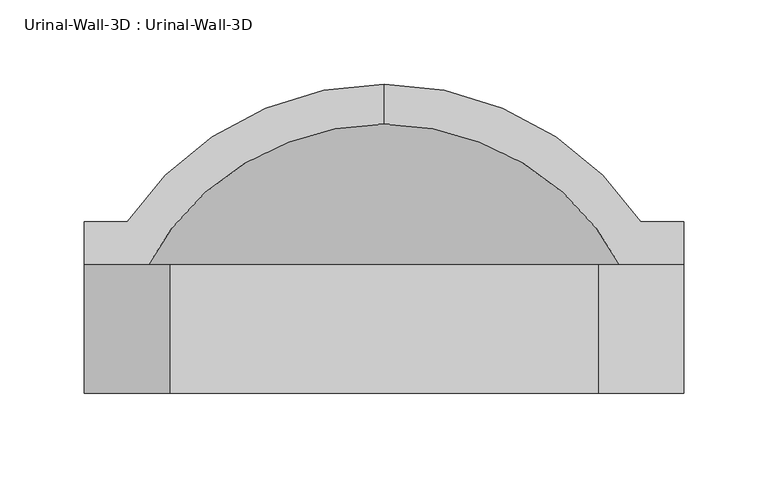
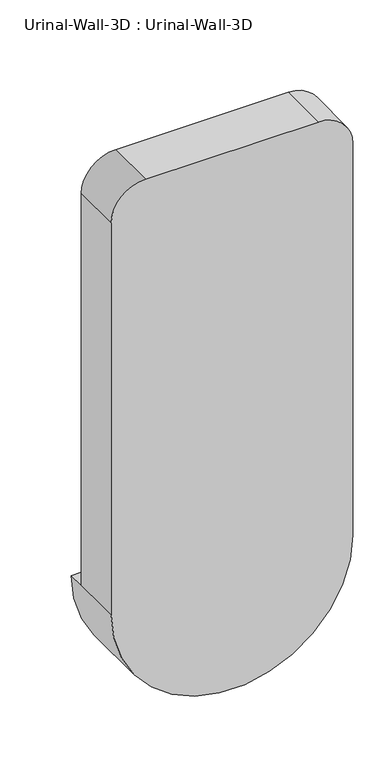
"""IFC4 building model written with IfcOpenShell, lengths in millimetres: flow terminal geometry, Urinal-Wall-3D : Urinal-Wall-3D."""

from ifc_helpers import new_model, si_unit, point, frame, origin, place, context, project, spatial, polyline, circle_curve, ellipse_curve, trimmed, source, transform, mapped, element, save
from ifc_brep_helpers import plane_surface, cylinder_surface, revolved_surface, advanced_brep


def urinal_wall_3d_urinal_wall_3d_8f78ac65(model_context):
    return source(origin(), model_context, "Body", "AdvancedBrep", [
        advanced_brep(
        [(-109.0745999, 335.5620048, 609.6), (-109.0745999, 311.8447043, 609.6), (43.3254001, 199.2706063, 609.6), (43.3254001, 228.6, 609.6), (68.7254001, 228.6, 609.6), (68.7254001, 254.0, 609.6), (43.3254001, 254.0, 609.6), (-261.4745999, 254.0, 609.6), (-286.8745999, 254.0, 609.6), (-286.8745999, 228.6, 609.6), (-261.4745999, 228.6, 609.6), (-261.4745999, 199.2706063, 609.6), (-261.4745999, 165.1, 609.6), (43.3254001, 165.1, 609.6), (-286.8745999, 152.4, 609.6), (68.7254001, 152.4, 609.6), (68.7254001, 152.4, 1219.2), (17.9254001, 152.4, 1270.0), (-236.0745999, 152.4, 1270.0), (-286.8745999, 152.4, 1219.2), (43.3254001, 228.6, 1168.4), (-7.4745999, 228.6, 1219.2), (-210.6745999, 228.6, 1219.2), (-261.4745999, 228.6, 1168.4), (-286.8745999, 228.6, 1219.2), (-236.0745999, 228.6, 1270.0), (17.9254001, 228.6, 1270.0), (68.7254001, 228.6, 1219.2), (43.3254001, 165.1, 1168.4), (-7.4745999, 165.1, 1219.2), (-210.6745999, 165.1, 1219.2), (-261.4745999, 165.1, 1168.4)],
        [
            (0, 1),
            (1, 2, circle_curve(frame((-109.0745999, 152.4, 609.6), z_axis=(0.0, 0.0, -1.0), x_axis=(1.0, 0.0, 0.0)), 159.4447043)),
            (2, 3),
            (3, 4),
            (4, 5),
            (5, 6),
            (6, 0, circle_curve(frame((-109.0745999, 152.4, 609.6), z_axis=(0.0, 0.0, 1.0), x_axis=(1.0, 0.0, 0.0)), 183.1620048)),
            (0, 7, circle_curve(frame((-109.0745999, 152.4, 609.6), z_axis=(0.0, 0.0, 1.0), x_axis=(-1.0, 0.0, 0.0)), 183.1620048)),
            (7, 8),
            (8, 9),
            (9, 10),
            (10, 11),
            (11, 1, circle_curve(frame((-109.0745999, 152.4, 609.6), z_axis=(0.0, 0.0, -1.0), x_axis=(-1.0, 0.0, 0.0)), 159.4447043)),
            (11, 2, circle_curve(frame((-109.0745999, 199.2706063, 609.6), z_axis=(0.0, -1.0, 0.0), x_axis=(1.0, 0.0, 0.0)), 152.4)),
            (11, 12),
            (12, 13, circle_curve(frame((-109.0745999, 165.1, 609.6), z_axis=(0.0, -1.0, 0.0), x_axis=(1.0, 0.0, 0.0)), 152.4)),
            (13, 2),
            (14, 15, circle_curve(frame((-109.0745999, 152.4, 609.6), z_axis=(0.0, -1.0, 0.0), x_axis=(1.0, 0.0, 0.0)), 177.8)),
            (15, 16),
            (16, 17, circle_curve(frame((17.9254001, 152.4, 1219.2), z_axis=(0.0, -1.0, 0.0), x_axis=(-1.0, 0.0, 0.0)), 50.8)),
            (17, 18),
            (18, 19, circle_curve(frame((-236.0745999, 152.4, 1219.2), z_axis=(0.0, -1.0, 0.0), x_axis=(-1.0, 0.0, 0.0)), 50.8)),
            (19, 14),
            (14, 9),
            (8, 5, circle_curve(frame((-109.0745999, 254.0, 609.6), z_axis=(0.0, -1.0, 0.0), x_axis=(1.0, 0.0, 0.0)), 177.8)),
            (4, 15),
            (7, 6, circle_curve(frame((-109.0745999, 254.0, 609.6), z_axis=(0.0, -1.0, 0.0), x_axis=(1.0, 0.0, 0.0)), 152.4)),
            (3, 20),
            (20, 21, circle_curve(frame((-7.4745999, 228.6, 1168.4), z_axis=(0.0, -1.0, 0.0), x_axis=(-1.0, 0.0, 0.0)), 50.8)),
            (21, 22),
            (22, 23, circle_curve(frame((-210.6745999, 228.6, 1168.4), z_axis=(0.0, -1.0, 0.0), x_axis=(-1.0, 0.0, 0.0)), 50.8)),
            (23, 10),
            (9, 24),
            (24, 25, circle_curve(frame((-236.0745999, 228.6, 1219.2), z_axis=(0.0, 1.0, 0.0), x_axis=(-1.0, 0.0, 0.0)), 50.8)),
            (25, 26),
            (26, 27, circle_curve(frame((17.9254001, 228.6, 1219.2), z_axis=(0.0, 1.0, 0.0), x_axis=(-1.0, 0.0, 0.0)), 50.8)),
            (27, 4),
            (13, 28),
            (28, 20),
            (28, 29, circle_curve(frame((-7.4745999, 165.1, 1168.4), z_axis=(0.0, -1.0, 0.0), x_axis=(-1.0, 0.0, 0.0)), 50.8)),
            (29, 21),
            (29, 30),
            (30, 22),
            (30, 31, circle_curve(frame((-210.6745999, 165.1, 1168.4), z_axis=(0.0, -1.0, 0.0), x_axis=(-1.0, 0.0, 0.0)), 50.8)),
            (31, 23),
            (31, 12),
            (19, 24),
            (18, 25),
            (17, 26),
            (16, 27),
        ],
        [
            plane_surface(frame((-109.0745999, 441.6104173, 609.6), z_axis=(0.0, 0.0, 1.0), x_axis=(1.0, 0.0, 0.0))),
            plane_surface(frame((-109.0745999, 441.6104173, 609.6), z_axis=(0.0, 0.0, 1.0), x_axis=(-1.0, 0.0, 0.0))),
            revolved_surface(trimmed(ellipse_curve(frame((-109.0745999, 152.4, 609.6), z_axis=(0.0, 0.0, -1.0), x_axis=(1.0, 0.0, 0.0)), 159.4447043, 159.4447043), [point((-109.0745999, 311.8447043, 609.6))], [point((43.3254001, 199.2706063, 609.6))], True, "CARTESIAN"), (-109.0745999, 441.6104173, 609.6), (0.0, 1.0, 0.0)),
            revolved_surface(polyline([(43.32540010000001, 199.2706063, 609.6), (43.32540010000001, 165.10000000000002, 609.6)]), (-109.0745999, 441.6104173, 609.6), (0.0, 1.0, 0.0)),
            plane_surface(frame((-109.0745999, 152.4, 609.6), z_axis=(0.0, -1.0, 0.0), x_axis=(1.0, 0.0, 0.0))),
            cylinder_surface(frame((-109.0745999, 441.6104173, 609.6), z_axis=(0.0, 1.0, 0.0), x_axis=(1.0, 0.0, 0.0)), 177.8),
            plane_surface(frame((-109.0745999, 254.0, 609.6), z_axis=(0.0, 1.0, 0.0), x_axis=(1.0, 0.0, 0.0))),
            revolved_surface(trimmed(ellipse_curve(frame((-109.0745999, 152.4, 609.6), z_axis=(0.0, 0.0, 1.0), x_axis=(1.0, 0.0, 0.0)), 183.1620048, 183.1620048), [point((43.3254001, 254.0, 609.6))], [point((-109.0745999, 335.5620048, 609.6))], True, "CARTESIAN"), (-109.0745999, 441.6104173, 609.6), (0.0, 1.0, 0.0)),
            plane_surface(frame((43.3254001, 228.6, 609.6), z_axis=(0.0, 1.0, 0.0), x_axis=(0.0, 0.0, 1.0))),
            plane_surface(frame((43.3254001, 228.6, 609.6), z_axis=(-1.0, 0.0, 0.0), x_axis=(0.0, -1.0, 0.0))),
            revolved_surface(polyline([(-58.2745999, 165.1, 1168.4), (-58.2745999, 228.6, 1168.4)]), (-7.4745999, 152.4, 1168.4), (0.0, -1.0, 0.0)),
            plane_surface(frame((-7.4745999, 228.6, 1219.2), z_axis=(0.0, 0.0, -1.0), x_axis=(0.0, -1.0, 0.0))),
            revolved_surface(polyline([(-261.4745999, 165.1, 1168.4), (-261.4745999, 228.6, 1168.4)]), (-210.6745999, 152.4, 1168.4), (0.0, -1.0, 0.0)),
            plane_surface(frame((-261.4745999, 228.6, 1168.4), z_axis=(1.0, 0.0, 0.0), x_axis=(0.0, -1.0, 0.0))),
            plane_surface(frame((-286.8745999, 228.6, 609.6), z_axis=(-1.0, 0.0, 0.0), x_axis=(0.0, -1.0, 0.0))),
            cylinder_surface(frame((-236.0745999, 152.4, 1219.2), z_axis=(0.0, 1.0, 0.0), x_axis=(-1.0, 0.0, 0.0)), 50.8),
            plane_surface(frame((-236.0745999, 228.6, 1270.0), z_axis=(0.0, 0.0, 1.0), x_axis=(0.0, -1.0, 0.0))),
            cylinder_surface(frame((17.9254001, 152.4, 1219.2), z_axis=(0.0, 1.0, 0.0), x_axis=(-1.0, 0.0, 0.0)), 50.8),
            plane_surface(frame((68.7254001, 228.6, 1219.2), z_axis=(1.0, 0.0, 0.0), x_axis=(0.0, -1.0, 0.0))),
            plane_surface(frame((43.3254001, 165.1, 609.6), z_axis=(0.0, 1.0, 0.0), x_axis=(0.0, 0.0, -1.0))),
        ],
        [
            (0, [[1, 2, 3, 4, 5, 6, 7]]),
            (1, [[-1, 8, 9, 10, 11, 12, 13]]),
            (2, [[-2, -13, 14]]),
            (3, [[-14, 15, 16, 17]]),
            (4, [[18, 19, 20, 21, 22, 23]]),
            (5, [[-18, 24, -10, 25, -5, 26]]),
            (6, [[-6, -25, -9, 27]]),
            (7, [[-7, -27, -8]]),
            (8, [[28, 29, 30, 31, 32, -11, 33, 34, 35, 36, 37, -4]]),
            (9, [[-28, -3, -17, 38, 39]]),
            (10, [[-29, -39, 40, 41]]),
            (11, [[-30, -41, 42, 43]]),
            (12, [[-31, -43, 44, 45]]),
            (13, [[-32, -45, 46, -15, -12]]),
            (14, [[-33, -24, -23, 47]]),
            (15, [[-34, -47, -22, 48]]),
            (16, [[-35, -48, -21, 49]]),
            (17, [[-36, -49, -20, 50]]),
            (18, [[-37, -50, -19, -26]]),
            (19, [[-16, -46, -44, -42, -40, -38]]),
        ],
    ),
    ])


if __name__ == "__main__":
    model = new_model("IFC4")
    model_context = context("Model", 3, world=origin())
    ifc_project = project(units=[si_unit("LENGTHUNIT", "METRE", prefix="MILLI")], contexts=[model_context])
    site = spatial("IfcSite", under=ifc_project)
    building = spatial("IfcBuilding", under=site)
    placement = place(None, origin())
    urinal_wall_3d_urinal_wall_3d_shape = urinal_wall_3d_urinal_wall_3d_8f78ac65(model_context)
    element("IfcFlowTerminal", 1, ObjectType="Urinal-Wall-3D : Urinal-Wall-3D", at=placement, inside=building, context=model_context, shape_type="MappedRepresentation", body=[
        mapped(urinal_wall_3d_urinal_wall_3d_shape, transform((0.0, 0.0, 0.0), x_axis=(1.0, 0.0, 0.0), y_axis=(0.0, 1.0, 0.0), z_axis=(0.0, 0.0, 1.0))),
    ])
    save(model, "model.ifc")
